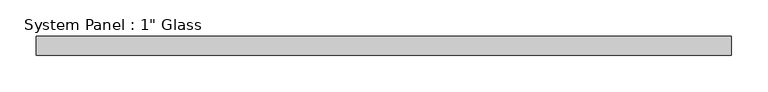
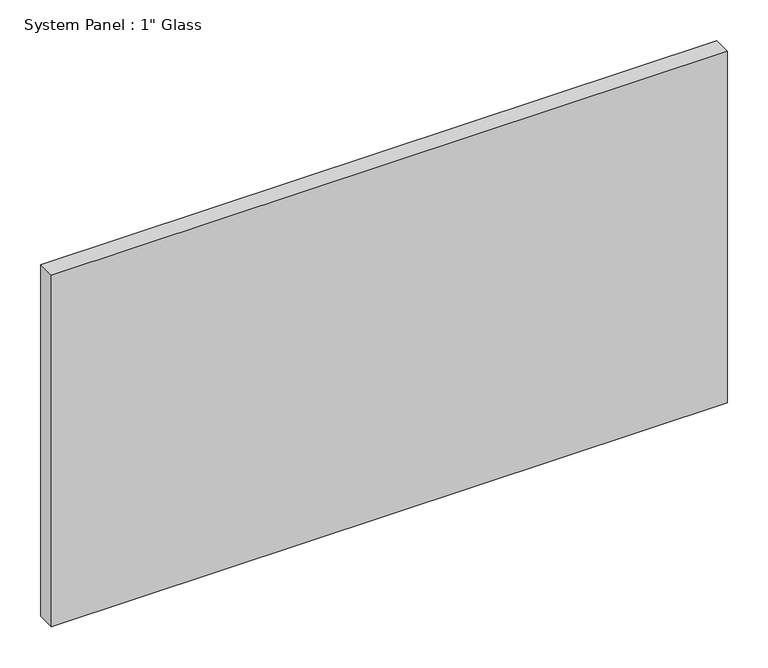
"""IFC4 building model written with IfcOpenShell, lengths in millimetres: plate geometry."""

from ifc_helpers import new_model, si_unit, origin, origin_with_axes, place, context, project, spatial, polyline, outline, extrude, source, transform, mapped, element, save


def plate_ad82f6ac(model_context):
    return source(origin(), model_context, "Body", "SweptSolid", [
        extrude(outline(polyline([(476.25, -12.7), (-476.25, -12.7), (-476.25, 12.7), (476.25, 12.7), (476.25, -12.7)])), origin_with_axes(), (0.0, 0.0, 1.0), 523.875),
    ])


if __name__ == "__main__":
    model = new_model("IFC4")
    model_context = context("Model", 3, world=origin())
    ifc_project = project(units=[si_unit("LENGTHUNIT", "METRE", prefix="MILLI")], contexts=[model_context])
    site = spatial("IfcSite", under=ifc_project)
    building = spatial("IfcBuilding", under=site)
    placement = place(None, origin())
    plate_shape = plate_ad82f6ac(model_context)
    element("IfcPlate", 1, ObjectType="System Panel : 1\" Glass", at=placement, inside=building, context=model_context, shape_type="MappedRepresentation", body=[
        mapped(plate_shape, transform((0.0, 0.0, 0.0), x_axis=(1.0, 0.0, 0.0), y_axis=(0.0, 1.0, 0.0), z_axis=(0.0, 0.0, 1.0))),
    ])
    save(model, "model.ifc")
